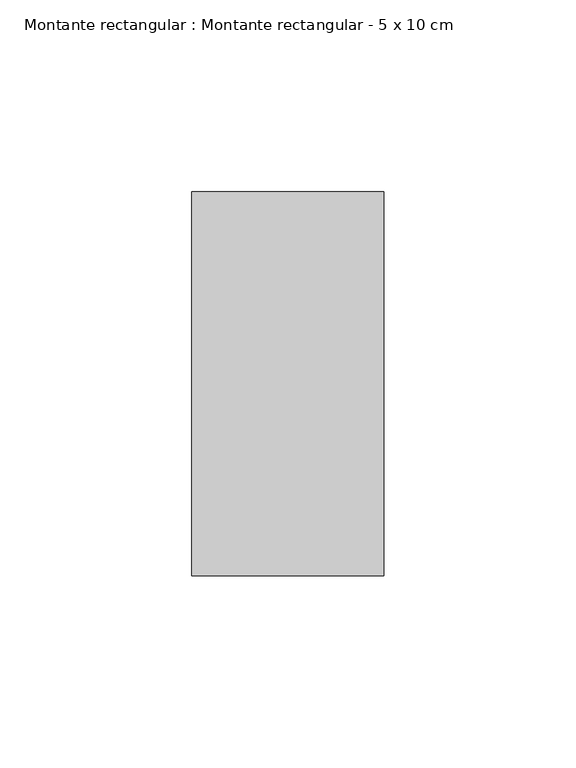
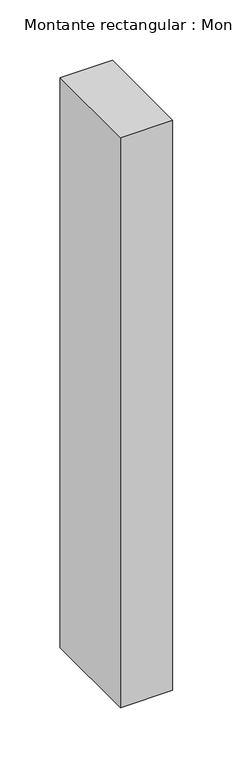
"""IFC4 building model written with IfcOpenShell, lengths in millimetres: member geometry, Montante rectangular : Montante rectangular - 5 x 10 cm."""

from ifc_helpers import new_model, si_unit, frame, origin, place, context, project, spatial, polyline, outline, extrude, source, transform, mapped, element, save


def montante_rectangular_montante_rectangular_5_x_10_cm_98785f50(model_context):
    return source(origin(), model_context, "Body", "SweptSolid", [
        extrude(outline(polyline([(25.0, 50.0), (25.0, -50.0), (-25.0, -50.0), (-25.0, 50.0), (25.0, 50.0)])), frame((0.0, 0.0, -577.0), z_axis=(0.0, 0.0, 1.0), x_axis=(1.0, 0.0, 0.0)), (0.0, 0.0, 1.0), 577.0),
    ])


if __name__ == "__main__":
    model = new_model("IFC4")
    model_context = context("Model", 3, world=origin())
    ifc_project = project(units=[si_unit("LENGTHUNIT", "METRE", prefix="MILLI")], contexts=[model_context])
    site = spatial("IfcSite", under=ifc_project)
    building = spatial("IfcBuilding", under=site)
    placement = place(None, origin())
    montante_rectangular_montante_rectangular_5_x_10_cm_shape = montante_rectangular_montante_rectangular_5_x_10_cm_98785f50(model_context)
    element("IfcMember", 1, ObjectType="Montante rectangular : Montante rectangular - 5 x 10 cm", at=placement, inside=building, context=model_context, shape_type="MappedRepresentation", body=[
        mapped(montante_rectangular_montante_rectangular_5_x_10_cm_shape, transform((0.0, 0.0, 0.0), x_axis=(1.0, 0.0, 0.0), y_axis=(0.0, 1.0, 0.0), z_axis=(0.0, 0.0, 1.0))),
    ])
    save(model, "model.ifc")
